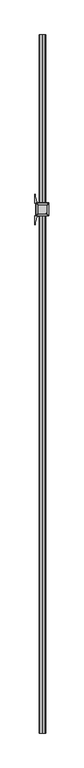
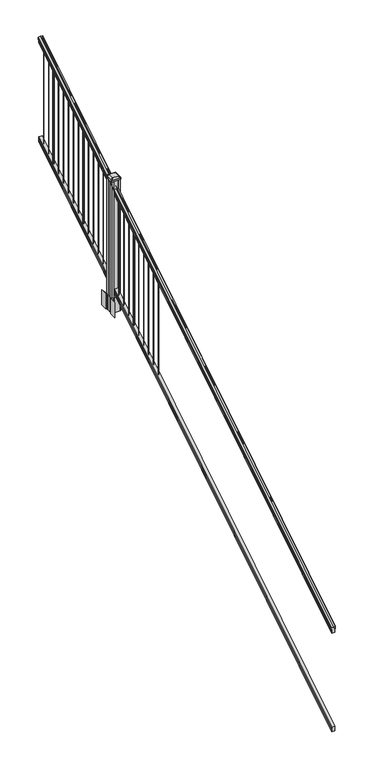
"""IFC4 building model written with IfcOpenShell, lengths in millimetres: railing geometry."""

from ifc_helpers import new_model, si_unit, point, frame, frame_2d, origin, place, context, project, spatial, polyline, circle_curve, ellipse_curve, trimmed, segment, composite_curve, outline, extrude, faceted_brep, source, transform, mapped, element, save
from ifc_brep_helpers import plane_surface, cylinder_surface, revolved_surface, extruded_surface, advanced_brep


def railing_f6cace79(model_context):
    return source(origin(), model_context, "Body", "SolidModel", [
        advanced_brep(
        [(9720.6704765, -87458.4628453, 1285.6070492), (9720.6704765, -87458.4628453, 1287.8335658), (9721.8006628, -87458.4628453, 1289.6758543), (9721.8006628, -87458.4628453, 1298.1876358), (9721.1514064, -87458.4628453, 1301.0572588), (9723.6514064, -87458.4628453, 1306.1635509), (9725.0607489, -87458.4628453, 1308.1442021), (9725.4626479, -87458.4628453, 1309.4469579), (9725.4626478, -87458.4628453, 1311.0274846), (9723.9092005, -87458.4628453, 1312.8593836), (9703.2376478, -87458.4628453, 1312.8593836), (9682.566095, -87458.4628453, 1312.8593836), (9681.0126478, -87458.4628453, 1311.0274846), (9681.0126478, -87458.4628453, 1309.4469579), (9681.4145467, -87458.4628453, 1308.1442021), (9682.8238891, -87458.4628453, 1306.1635509), (9685.3238891, -87458.4628453, 1301.0572588), (9684.6746327, -87458.4628453, 1298.1876358), (9684.6746327, -87458.4628453, 1289.6758543), (9685.804819, -87458.4628453, 1287.8335658), (9685.804819, -87458.4628453, 1285.6070492), (9688.3786478, -87458.4628453, 1285.6070492), (9688.3786478, -87458.4628453, 1273.225537), (9687.3626478, -87458.4628453, 1272.0274214), (9687.3626478, -87458.4628453, 1257.3), (9719.1126478, -87458.4628453, 1257.3), (9719.1126478, -87458.4628453, 1271.841318), (9718.0966478, -87458.4628453, 1273.0394336), (9718.0966478, -87458.4628453, 1285.6070492), (9720.6704765, -82581.6628453, 4333.6070492), (9718.0966478, -82581.6628453, 4333.6070492), (9718.0966478, -82581.6628453, 4321.0394336), (9719.1126478, -82581.6628453, 4319.841318), (9719.1126478, -82581.6628453, 4305.3), (9687.3626478, -82581.6628453, 4305.3), (9687.3626478, -82581.6628453, 4320.0274214), (9688.3786478, -82581.6628453, 4321.225537), (9688.3786478, -82581.6628453, 4333.6070492), (9685.804819, -82581.6628453, 4333.6070492), (9685.804819, -82581.6628453, 4335.8335658), (9684.6746327, -82581.6628453, 4337.6758543), (9684.6746327, -82581.6628453, 4346.1876358), (9685.3238891, -82581.6628453, 4349.0572588), (9682.8238891, -82581.6628453, 4354.1635509), (9681.4145467, -82581.6628453, 4356.1442021), (9681.0126477, -82581.6628453, 4357.4469579), (9681.0126478, -82581.6628453, 4359.0274846), (9682.566095, -82581.6628453, 4360.8593836), (9703.2376478, -82581.6628453, 4360.8593836), (9723.9092005, -82581.6628453, 4360.8593836), (9725.4626478, -82581.6628453, 4359.0274846), (9725.4626478, -82581.6628453, 4357.4469579), (9725.0607489, -82581.6628453, 4356.1442021), (9723.6514064, -82581.6628453, 4354.1635509), (9721.1514064, -82581.6628453, 4349.0572588), (9721.8006628, -82581.6628453, 4346.1876358), (9721.8006628, -82581.6628453, 4337.6758543), (9720.6704765, -82581.6628453, 4335.8335658)],
        [
            (0, 1),
            (1, 2, ellipse_curve(frame((9714.3557232, -87458.4628453, 1294.6239405), z_axis=(0.0, -1.0, 0.0), x_axis=(0.0, 0.0, -1.0)), 10.0777926, 8.545951)),
            (2, 3, ellipse_curve(frame((9714.7927862, -87458.4628453, 1293.9317451), z_axis=(0.0, -1.0, 0.0), x_axis=(0.0, 0.0, -1.0)), 9.2955186, 7.882584)),
            (3, 4, ellipse_curve(frame((9725.3061103, -87458.4628453, 1300.8275077), z_axis=(0.0, 1.0, 0.0), x_axis=(0.0, 0.0, 1.0)), 4.9048088, 4.1592695)),
            (4, 5, ellipse_curve(frame((9726.5934169, -87458.4628453, 1300.7563208), z_axis=(0.0, 1.0, 0.0), x_axis=(0.0, 0.0, 1.0)), 6.4245301, 5.4479907)),
            (5, 6, ellipse_curve(frame((9725.3602584, -87458.4628453, 1306.1602333), z_axis=(0.0, 1.0, 0.0), x_axis=(0.0, 0.0, 1.0)), 2.0151625, 1.7088543)),
            (6, 7, ellipse_curve(frame((9723.7433583, -87458.4628453, 1309.4469579), z_axis=(0.0, -1.0, 0.0), x_axis=(0.0, 0.0, -1.0)), 2.0274681, 1.7192895)),
            (7, 8),
            (8, 9, ellipse_curve(frame((9723.9092005, -87458.4628453, 1311.0274846), z_axis=(0.0, -1.0, 0.0), x_axis=(0.0, 0.0, -1.0)), 1.831899, 1.5534472)),
            (9, 10),
            (10, 11),
            (11, 12, ellipse_curve(frame((9682.566095, -87458.4628453, 1311.0274846), z_axis=(0.0, -1.0, 0.0), x_axis=(0.0, 0.0, -1.0)), 1.831899, 1.5534472)),
            (12, 13),
            (13, 14, ellipse_curve(frame((9682.7319372, -87458.4628453, 1309.4469579), z_axis=(0.0, -1.0, 0.0), x_axis=(0.0, 0.0, -1.0)), 2.0274681, 1.7192895)),
            (14, 15, ellipse_curve(frame((9681.1150371, -87458.4628453, 1306.1602333), z_axis=(0.0, 1.0, 0.0), x_axis=(0.0, 0.0, 1.0)), 2.0151625, 1.7088543)),
            (15, 16, ellipse_curve(frame((9679.8818787, -87458.4628453, 1300.7563208), z_axis=(0.0, 1.0, 0.0), x_axis=(0.0, 0.0, 1.0)), 6.4245301, 5.4479907)),
            (16, 17, ellipse_curve(frame((9681.1691852, -87458.4628453, 1300.8275077), z_axis=(0.0, 1.0, 0.0), x_axis=(0.0, 0.0, 1.0)), 4.9048088, 4.1592695)),
            (17, 18, ellipse_curve(frame((9691.6825093, -87458.4628453, 1293.9317451), z_axis=(0.0, -1.0, 0.0), x_axis=(0.0, 0.0, -1.0)), 9.2955186, 7.882584)),
            (18, 19, ellipse_curve(frame((9692.1195723, -87458.4628453, 1294.6239405), z_axis=(0.0, -1.0, 0.0), x_axis=(0.0, 0.0, -1.0)), 10.0777926, 8.545951)),
            (19, 20),
            (20, 21, ellipse_curve(frame((9687.0917334, -87458.4628453, 1285.6070492), z_axis=(0.0, -1.0, 0.0), x_axis=(0.0, 0.0, -1.0)), 1.5175907, 1.2869144)),
            (21, 22),
            (22, 23),
            (23, 24),
            (24, 25),
            (25, 26),
            (26, 27),
            (27, 28),
            (28, 0, ellipse_curve(frame((9719.3835621, -87458.4628453, 1285.6070492), z_axis=(0.0, -1.0, 0.0), x_axis=(0.0, 0.0, -1.0)), 1.5175907, 1.2869144)),
            (29, 30, ellipse_curve(frame((9719.3835621, -82581.6628453, 4333.6070492), z_axis=(0.0, 1.0, 0.0), x_axis=(0.0, 0.0, -1.0)), 1.5175907, 1.2869144)),
            (30, 31),
            (31, 32),
            (32, 33),
            (33, 34),
            (34, 35),
            (35, 36),
            (36, 37),
            (37, 38, ellipse_curve(frame((9687.0917334, -82581.6628453, 4333.6070492), z_axis=(0.0, 1.0, 0.0), x_axis=(0.0, 0.0, -1.0)), 1.5175907, 1.2869144)),
            (38, 39),
            (39, 40, ellipse_curve(frame((9692.1195723, -82581.6628453, 4342.6239405), z_axis=(0.0, 1.0, 0.0), x_axis=(0.0, 0.0, -1.0)), 10.0777926, 8.545951)),
            (40, 41, ellipse_curve(frame((9691.6825093, -82581.6628453, 4341.9317451), z_axis=(0.0, 1.0, 0.0), x_axis=(0.0, 0.0, -1.0)), 9.2955186, 7.882584)),
            (41, 42, ellipse_curve(frame((9681.1691852, -82581.6628453, 4348.8275077), z_axis=(0.0, -1.0, 0.0), x_axis=(0.0, 0.0, 1.0)), 4.9048088, 4.1592695)),
            (42, 43, ellipse_curve(frame((9679.8818787, -82581.6628453, 4348.7563208), z_axis=(0.0, -1.0, 0.0), x_axis=(0.0, 0.0, 1.0)), 6.4245301, 5.4479907)),
            (43, 44, ellipse_curve(frame((9681.1150371, -82581.6628453, 4354.1602333), z_axis=(0.0, -1.0, 0.0), x_axis=(0.0, 0.0, 1.0)), 2.0151625, 1.7088543)),
            (44, 45, ellipse_curve(frame((9682.7319372, -82581.6628453, 4357.4469579), z_axis=(0.0, 1.0, 0.0), x_axis=(0.0, 0.0, -1.0)), 2.0274681, 1.7192895)),
            (45, 46),
            (46, 47, ellipse_curve(frame((9682.566095, -82581.6628453, 4359.0274846), z_axis=(0.0, 1.0, 0.0), x_axis=(0.0, 0.0, -1.0)), 1.831899, 1.5534472)),
            (47, 48),
            (48, 49),
            (49, 50, ellipse_curve(frame((9723.9092005, -82581.6628453, 4359.0274846), z_axis=(0.0, 1.0, 0.0), x_axis=(0.0, 0.0, -1.0)), 1.831899, 1.5534472)),
            (50, 51),
            (51, 52, ellipse_curve(frame((9723.7433583, -82581.6628453, 4357.4469579), z_axis=(0.0, 1.0, 0.0), x_axis=(0.0, 0.0, -1.0)), 2.0274681, 1.7192895)),
            (52, 53, ellipse_curve(frame((9725.3602584, -82581.6628453, 4354.1602333), z_axis=(0.0, -1.0, 0.0), x_axis=(0.0, 0.0, 1.0)), 2.0151625, 1.7088543)),
            (53, 54, ellipse_curve(frame((9726.5934169, -82581.6628453, 4348.7563208), z_axis=(0.0, -1.0, 0.0), x_axis=(0.0, 0.0, 1.0)), 6.4245301, 5.4479907)),
            (54, 55, ellipse_curve(frame((9725.3061103, -82581.6628453, 4348.8275077), z_axis=(0.0, -1.0, 0.0), x_axis=(0.0, 0.0, 1.0)), 4.9048088, 4.1592695)),
            (55, 56, ellipse_curve(frame((9714.7927862, -82581.6628453, 4341.9317451), z_axis=(0.0, 1.0, 0.0), x_axis=(0.0, 0.0, -1.0)), 9.2955186, 7.882584)),
            (56, 57, ellipse_curve(frame((9714.3557232, -82581.6628453, 4342.6239405), z_axis=(0.0, 1.0, 0.0), x_axis=(0.0, 0.0, -1.0)), 10.0777926, 8.545951)),
            (57, 29),
            (28, 30),
            (29, 0),
            (27, 31),
            (26, 32),
            (25, 33),
            (24, 34),
            (23, 35),
            (22, 36),
            (21, 37),
            (20, 38),
            (19, 39),
            (18, 40),
            (17, 41),
            (16, 42),
            (15, 43),
            (14, 44),
            (13, 45),
            (12, 46),
            (11, 47),
            (10, 48),
            (9, 49),
            (8, 50),
            (7, 51),
            (6, 52),
            (5, 53),
            (4, 54),
            (3, 55),
            (2, 56),
            (1, 57),
        ],
        [
            plane_surface(frame((9703.2376478, -87458.4628453, 1257.3), z_axis=(0.0, -1.0, 0.0), x_axis=(0.0, 0.0, 1.0))),
            plane_surface(frame((9703.2376478, -82581.6628453, 4305.3), z_axis=(0.0, 1.0, 0.0), x_axis=(0.0, 0.0, 1.0))),
            cylinder_surface(frame((9719.3835621, -87471.1851146, 1277.6556309), z_axis=(0.0, -0.8479983040051253, -0.5299989400031204), x_axis=(-1.0, 0.0, 0.0)), 1.2869144),
            plane_surface(frame((9718.0966478, -87458.4628453, 1273.0394336), z_axis=(1.0, 0.0, 0.0), x_axis=(0.0, 0.8479983040051252, 0.5299989400031204))),
            plane_surface(frame((9719.1126478, -87458.4628453, 1271.841318), z_axis=(0.7071067811865389, -0.374765844497894, 0.5996253511967226), x_axis=(0.0, 0.8479983040051253, 0.5299989400031204))),
            plane_surface(frame((9719.1126478, -87458.4628453, 1257.3), z_axis=(1.0, 0.0, 0.0), x_axis=(0.0, 0.8479983040051252, 0.5299989400031204))),
            plane_surface(frame((9687.3626478, -87458.4628453, 1257.3), z_axis=(0.0, 0.5299989400031204, -0.8479983040051252), x_axis=(0.0, 0.8479983040051252, 0.5299989400031204))),
            plane_surface(frame((9687.3626478, -87458.4628453, 1272.0274214), z_axis=(-1.0, 0.0, 0.0), x_axis=(0.0, 0.8479983040051252, 0.5299989400031204))),
            plane_surface(frame((9688.3786478, -87458.4628453, 1273.225537), z_axis=(-0.7071067811865437, -0.37476584449788986, 0.5996253511967192), x_axis=(0.0, 0.8479983040051253, 0.5299989400031204))),
            plane_surface(frame((9688.3786478, -87458.4628453, 1285.6070492), z_axis=(-1.0, 0.0, 0.0), x_axis=(0.0, 0.8479983040051252, 0.5299989400031204))),
            cylinder_surface(frame((9687.0917334, -87471.1851146, 1277.6556309), z_axis=(0.0, -0.8479983040051253, -0.5299989400031204), x_axis=(1.0, 0.0, 0.0)), 1.2869144),
            plane_surface(frame((9685.804819, -87458.4628453, 1287.8335658), z_axis=(-1.0, 0.0, 0.0), x_axis=(0.0, 0.8479983040051252, 0.5299989400031204))),
            cylinder_surface(frame((9692.1195723, -87475.23765, 1284.1396876), z_axis=(0.0, -0.8479983040051253, -0.5299989400031204), x_axis=(1.0, 0.0, 0.0)), 8.545951),
            cylinder_surface(frame((9691.6825093, -87474.9265509, 1283.641929), z_axis=(0.0, -0.8479983040051253, -0.5299989400031204), x_axis=(1.0, 0.0, 0.0)), 7.882584),
            revolved_surface(polyline([(9685.3284547, -82579.45843685034, 4350.205262980551), (9685.3284547, -87460.66725374945, 1299.4497524190954)]), (9681.1691852, -87478.0257701, 1288.6006797), (0.0, 0.8479983040051253, 0.5299989400031204)),
            revolved_surface(polyline([(9685.3298694, -82578.77541603574, 4350.5609640771845), (9685.3298694, -87461.35027455281, 1298.9516775044929)]), (9679.8818787, -87477.993776, 1288.5494891), (0.0, 0.8479983040051253, 0.5299989400031204)),
            revolved_surface(polyline([(9682.823891400001, -82580.75715429979, 4354.726290199658), (9682.823891400001, -87459.36853632248, 1305.5941764359545)]), (9681.1150371, -87480.4225007, 1292.4354487), (0.0, 0.8479983040051253, 0.5299989400031204)),
            cylinder_surface(frame((9682.7319372, -87481.8996803, 1294.798936), z_axis=(0.0, -0.8479983040051253, -0.5299989400031204), x_axis=(1.0, 0.0, 0.0)), 1.7192895),
            plane_surface(frame((9681.0126478, -87458.4628453, 1311.0274846), z_axis=(-1.0, 0.0, 0.0), x_axis=(0.0, 0.8479983040051252, 0.5299989400031204))),
            cylinder_surface(frame((9682.566095, -87482.6100294, 1295.9354945), z_axis=(0.0, -0.8479983040051253, -0.5299989400031204), x_axis=(1.0, 0.0, 0.0)), 1.5534472),
            plane_surface(frame((9703.2376478, -87458.4628453, 1312.8593836), z_axis=(0.0, -0.5299989400031204, 0.8479983040051252), x_axis=(0.0, 0.8479983040051252, 0.5299989400031204))),
            plane_surface(frame((9723.9092005, -87458.4628453, 1312.8593836), z_axis=(0.0, -0.5299989400031204, 0.8479983040051252), x_axis=(0.0, 0.8479983040051252, 0.5299989400031204))),
            cylinder_surface(frame((9723.9092005, -87482.6100294, 1295.9354945), z_axis=(0.0, -0.8479983040051253, -0.5299989400031204), x_axis=(-1.0, 0.0, 0.0)), 1.5534472),
            plane_surface(frame((9725.4626478, -87458.4628453, 1309.4469579), z_axis=(1.0, 0.0, 0.0), x_axis=(0.0, 0.8479983040051252, 0.5299989400031204))),
            cylinder_surface(frame((9723.7433583, -87481.8996803, 1294.798936), z_axis=(0.0, -0.8479983040051253, -0.5299989400031204), x_axis=(-1.0, 0.0, 0.0)), 1.7192895),
            revolved_surface(polyline([(9723.6514041, -82580.75715429979, 4354.726290199658), (9723.6514041, -87459.36853632248, 1305.5941764359545)]), (9725.3602584, -87480.4225007, 1292.4354487), (0.0, 0.8479983040051253, 0.5299989400031204)),
            revolved_surface(polyline([(9721.145426199999, -82578.77541603574, 4350.5609640771845), (9721.145426199999, -87461.35027455281, 1298.9516775044929)]), (9726.5934169, -87477.993776, 1288.5494891), (0.0, 0.8479983040051253, 0.5299989400031204)),
            revolved_surface(polyline([(9721.1468408, -82579.45843685034, 4350.205262980551), (9721.1468408, -87460.66725374945, 1299.4497524190954)]), (9725.3061103, -87478.0257701, 1288.6006797), (0.0, 0.8479983040051253, 0.5299989400031204)),
            cylinder_surface(frame((9714.7927862, -87474.9265509, 1283.641929), z_axis=(0.0, -0.8479983040051253, -0.5299989400031204), x_axis=(-1.0, 0.0, 0.0)), 7.882584),
            cylinder_surface(frame((9714.3557232, -87475.23765, 1284.1396876), z_axis=(0.0, -0.8479983040051253, -0.5299989400031204), x_axis=(-1.0, 0.0, 0.0)), 8.545951),
            plane_surface(frame((9720.6704765, -87458.4628453, 1285.6070492), z_axis=(1.0, 0.0, 0.0), x_axis=(0.0, 0.8479983040051252, 0.5299989400031204))),
        ],
        [
            (0, [[1, 2, 3, 4, 5, 6, 7, 8, 9, 10, 11, 12, 13, 14, 15, 16, 17, 18, 19, 20, 21, 22, 23, 24, 25, 26, 27, 28, 29]]),
            (1, [[30, 31, 32, 33, 34, 35, 36, 37, 38, 39, 40, 41, 42, 43, 44, 45, 46, 47, 48, 49, 50, 51, 52, 53, 54, 55, 56, 57, 58]]),
            (2, [[-29, 59, -30, 60]]),
            (3, [[-28, 61, -31, -59]]),
            (4, [[-27, 62, -32, -61]]),
            (5, [[-26, 63, -33, -62]]),
            (6, [[-25, 64, -34, -63]]),
            (7, [[-24, 65, -35, -64]]),
            (8, [[-23, 66, -36, -65]]),
            (9, [[-22, 67, -37, -66]]),
            (10, [[-21, 68, -38, -67]]),
            (11, [[-20, 69, -39, -68]]),
            (12, [[-19, 70, -40, -69]]),
            (13, [[-18, 71, -41, -70]]),
            (14, [[-17, 72, -42, -71]]),
            (15, [[-16, 73, -43, -72]]),
            (16, [[-15, 74, -44, -73]]),
            (17, [[-14, 75, -45, -74]]),
            (18, [[-13, 76, -46, -75]]),
            (19, [[-12, 77, -47, -76]]),
            (20, [[-11, 78, -48, -77]]),
            (21, [[-10, 79, -49, -78]]),
            (22, [[-9, 80, -50, -79]]),
            (23, [[-8, 81, -51, -80]]),
            (24, [[-7, 82, -52, -81]]),
            (25, [[-6, 83, -53, -82]]),
            (26, [[-5, 84, -54, -83]]),
            (27, [[-4, 85, -55, -84]]),
            (28, [[-3, 86, -56, -85]]),
            (29, [[-2, 87, -57, -86]]),
            (30, [[-1, -60, -58, -87]]),
        ],
    ),
        faceted_brep([(9719.1501347, -87458.4628453, 268.8045079), (9718.1341347, -87458.4628453, 270.338026), (9718.1341347, -87458.4628453, 282.5545048), (9719.1501347, -87458.4628453, 284.1444579), (9719.1501347, -87458.4628453, 298.9244744), (9687.4001347, -87458.4628453, 298.9244744), (9687.4001347, -87458.4628453, 284.1248272), (9688.4161347, -87458.4628453, 282.5348741), (9688.4161347, -87458.4628453, 270.3748303), (9687.4001347, -87458.4628453, 268.7848772), (9687.4001347, -87458.4628453, 254.0), (9719.1501347, -87458.4628453, 254.0), (9719.1501347, -82581.6628453, 3316.8045079), (9719.1501347, -82581.6628453, 3302.0), (9687.4001347, -82581.6628453, 3302.0), (9687.4001347, -82581.6628453, 3316.7848772), (9688.4161347, -82581.6628453, 3318.3748303), (9688.4161347, -82581.6628453, 3330.5348741), (9687.4001347, -82581.6628453, 3332.1248272), (9687.4001347, -82581.6628453, 3346.9244744), (9719.1501347, -82581.6628453, 3346.9244744), (9719.1501347, -82581.6628453, 3332.1444579), (9718.1341347, -82581.6628453, 3330.5545048), (9718.1341347, -82581.6628453, 3318.338026)], [[[0, 1, 2, 3, 4, 5, 6, 7, 8, 9, 10, 11]], [[12, 13, 14, 15, 16, 17, 18, 19, 20, 21, 22, 23]], [[0, 11, 13, 12]], [[11, 10, 14, 13]], [[10, 9, 15, 14]], [[9, 8, 16, 15]], [[8, 7, 17, 16]], [[7, 6, 18, 17]], [[6, 5, 19, 18]], [[5, 4, 20, 19]], [[4, 3, 21, 20]], [[3, 2, 22, 21]], [[2, 1, 23, 22]], [[1, 0, 12, 23]]]),
        extrude(outline(composite_curve([segment(trimmed(circle_curve(frame_2d((9703.2376478, -82638.8128453)), 1.5875), [point((9704.8251478, -82638.8128453))], [point((9703.2376478, -82640.4003453))], False, "CARTESIAN"), True, "CONTINUOUS"), segment(trimmed(circle_curve(frame_2d((9703.2376478, -82638.8128453)), 1.5875), [point((9703.2376478, -82640.4003453))], [point((9701.6501478, -82638.8128453))], False, "CARTESIAN"), True, "CONTINUOUS"), segment(trimmed(circle_curve(frame_2d((9703.2376478, -82638.8128453)), 1.5875), [point((9701.6501478, -82638.8128453))], [point((9703.2376478, -82637.2253453))], False, "CARTESIAN"), True, "CONTINUOUS"), segment(trimmed(circle_curve(frame_2d((9703.2376478, -82638.8128453)), 1.5875), [point((9703.2376478, -82637.2253453))], [point((9704.8251478, -82638.8128453))], False, "CARTESIAN"), True, "CONTINUOUS")], self_intersect=False)), frame((0.0, 0.0, 3304.3771281), z_axis=(0.0, 0.0, 1.0), x_axis=(1.0, 0.0, 0.0)), (0.0, 0.0, 1.0), 965.2041219),
        extrude(outline(composite_curve([segment(trimmed(circle_curve(frame_2d((9703.2376478, -82721.3628453)), 1.5875), [point((9704.8251478, -82721.3628453))], [point((9703.2376478, -82722.9503453))], False, "CARTESIAN"), True, "CONTINUOUS"), segment(trimmed(circle_curve(frame_2d((9703.2376478, -82721.3628453)), 1.5875), [point((9703.2376478, -82722.9503453))], [point((9701.6501478, -82721.3628453))], False, "CARTESIAN"), True, "CONTINUOUS"), segment(trimmed(circle_curve(frame_2d((9703.2376478, -82721.3628453)), 1.5875), [point((9701.6501478, -82721.3628453))], [point((9703.2376478, -82719.7753453))], False, "CARTESIAN"), True, "CONTINUOUS"), segment(trimmed(circle_curve(frame_2d((9703.2376478, -82721.3628453)), 1.5875), [point((9703.2376478, -82719.7753453))], [point((9704.8251478, -82721.3628453))], False, "CARTESIAN"), True, "CONTINUOUS")], self_intersect=False)), frame((0.0, 0.0, 3252.7833781), z_axis=(0.0, 0.0, 1.0), x_axis=(1.0, 0.0, 0.0)), (0.0, 0.0, 1.0), 965.2041219),
        extrude(outline(composite_curve([segment(trimmed(circle_curve(frame_2d((9703.2376478, -82803.9128453)), 6.35), [point((9709.5876478, -82803.9128453))], [point((9703.2376478, -82810.2628453))], False, "CARTESIAN"), True, "CONTINUOUS"), segment(trimmed(circle_curve(frame_2d((9703.2376478, -82803.9128453)), 6.35), [point((9703.2376478, -82810.2628453))], [point((9696.8876478, -82803.9128453))], False, "CARTESIAN"), True, "CONTINUOUS"), segment(trimmed(circle_curve(frame_2d((9703.2376478, -82803.9128453)), 6.35), [point((9696.8876478, -82803.9128453))], [point((9703.2376478, -82797.5628453))], False, "CARTESIAN"), True, "CONTINUOUS"), segment(trimmed(circle_curve(frame_2d((9703.2376478, -82803.9128453)), 6.35), [point((9703.2376478, -82797.5628453))], [point((9709.5876478, -82803.9128453))], False, "CARTESIAN"), True, "CONTINUOUS")], self_intersect=False)), frame((0.0, 0.0, 3201.1896281), z_axis=(0.0, 0.0, 1.0), x_axis=(1.0, 0.0, 0.0)), (0.0, 0.0, 1.0), 965.2041219),
        extrude(outline(composite_curve([segment(trimmed(circle_curve(frame_2d((9703.2376478, -82886.4628453)), 1.5875), [point((9704.8251478, -82886.4628453))], [point((9703.2376478, -82888.0503453))], False, "CARTESIAN"), True, "CONTINUOUS"), segment(trimmed(circle_curve(frame_2d((9703.2376478, -82886.4628453)), 1.5875), [point((9703.2376478, -82888.0503453))], [point((9701.6501478, -82886.4628453))], False, "CARTESIAN"), True, "CONTINUOUS"), segment(trimmed(circle_curve(frame_2d((9703.2376478, -82886.4628453)), 1.5875), [point((9701.6501478, -82886.4628453))], [point((9703.2376478, -82884.8753453))], False, "CARTESIAN"), True, "CONTINUOUS"), segment(trimmed(circle_curve(frame_2d((9703.2376478, -82886.4628453)), 1.5875), [point((9703.2376478, -82884.8753453))], [point((9704.8251478, -82886.4628453))], False, "CARTESIAN"), True, "CONTINUOUS")], self_intersect=False)), frame((0.0, 0.0, 3149.5958781), z_axis=(0.0, 0.0, 1.0), x_axis=(1.0, 0.0, 0.0)), (0.0, 0.0, 1.0), 965.2041219),
        extrude(outline(composite_curve([segment(trimmed(circle_curve(frame_2d((9703.2376478, -82969.0128453)), 1.5875), [point((9704.8251478, -82969.0128453))], [point((9703.2376478, -82970.6003453))], False, "CARTESIAN"), True, "CONTINUOUS"), segment(trimmed(circle_curve(frame_2d((9703.2376478, -82969.0128453)), 1.5875), [point((9703.2376478, -82970.6003453))], [point((9701.6501478, -82969.0128453))], False, "CARTESIAN"), True, "CONTINUOUS"), segment(trimmed(circle_curve(frame_2d((9703.2376478, -82969.0128453)), 1.5875), [point((9701.6501478, -82969.0128453))], [point((9703.2376478, -82967.4253453))], False, "CARTESIAN"), True, "CONTINUOUS"), segment(trimmed(circle_curve(frame_2d((9703.2376478, -82969.0128453)), 1.5875), [point((9703.2376478, -82967.4253453))], [point((9704.8251478, -82969.0128453))], False, "CARTESIAN"), True, "CONTINUOUS")], self_intersect=False)), frame((0.0, 0.0, 3098.0021281), z_axis=(0.0, 0.0, 1.0), x_axis=(1.0, 0.0, 0.0)), (0.0, 0.0, 1.0), 965.2041219),
        extrude(outline(composite_curve([segment(trimmed(circle_curve(frame_2d((9703.2376478, -83051.5628453)), 1.5875), [point((9704.8251478, -83051.5628453))], [point((9703.2376478, -83053.1503453))], False, "CARTESIAN"), True, "CONTINUOUS"), segment(trimmed(circle_curve(frame_2d((9703.2376478, -83051.5628453)), 1.5875), [point((9703.2376478, -83053.1503453))], [point((9701.6501478, -83051.5628453))], False, "CARTESIAN"), True, "CONTINUOUS"), segment(trimmed(circle_curve(frame_2d((9703.2376478, -83051.5628453)), 1.5875), [point((9701.6501478, -83051.5628453))], [point((9703.2376478, -83049.9753453))], False, "CARTESIAN"), True, "CONTINUOUS"), segment(trimmed(circle_curve(frame_2d((9703.2376478, -83051.5628453)), 1.5875), [point((9703.2376478, -83049.9753453))], [point((9704.8251478, -83051.5628453))], False, "CARTESIAN"), True, "CONTINUOUS")], self_intersect=False)), frame((0.0, 0.0, 3046.4083781), z_axis=(0.0, 0.0, 1.0), x_axis=(1.0, 0.0, 0.0)), (0.0, 0.0, 1.0), 965.2041219),
        extrude(outline(composite_curve([segment(trimmed(circle_curve(frame_2d((9703.2376478, -83134.1128453)), 1.5875), [point((9704.8251478, -83134.1128453))], [point((9703.2376478, -83135.7003453))], False, "CARTESIAN"), True, "CONTINUOUS"), segment(trimmed(circle_curve(frame_2d((9703.2376478, -83134.1128453)), 1.5875), [point((9703.2376478, -83135.7003453))], [point((9701.6501478, -83134.1128453))], False, "CARTESIAN"), True, "CONTINUOUS"), segment(trimmed(circle_curve(frame_2d((9703.2376478, -83134.1128453)), 1.5875), [point((9701.6501478, -83134.1128453))], [point((9703.2376478, -83132.5253453))], False, "CARTESIAN"), True, "CONTINUOUS"), segment(trimmed(circle_curve(frame_2d((9703.2376478, -83134.1128453)), 1.5875), [point((9703.2376478, -83132.5253453))], [point((9704.8251478, -83134.1128453))], False, "CARTESIAN"), True, "CONTINUOUS")], self_intersect=False)), frame((0.0, 0.0, 2994.8146281), z_axis=(0.0, 0.0, 1.0), x_axis=(1.0, 0.0, 0.0)), (0.0, 0.0, 1.0), 965.2041219),
        extrude(outline(composite_curve([segment(trimmed(circle_curve(frame_2d((9703.2376478, -83216.6628453)), 1.5875), [point((9704.8251478, -83216.6628453))], [point((9703.2376478, -83218.2503453))], False, "CARTESIAN"), True, "CONTINUOUS"), segment(trimmed(circle_curve(frame_2d((9703.2376478, -83216.6628453)), 1.5875), [point((9703.2376478, -83218.2503453))], [point((9701.6501478, -83216.6628453))], False, "CARTESIAN"), True, "CONTINUOUS"), segment(trimmed(circle_curve(frame_2d((9703.2376478, -83216.6628453)), 1.5875), [point((9701.6501478, -83216.6628453))], [point((9703.2376478, -83215.0753453))], False, "CARTESIAN"), True, "CONTINUOUS"), segment(trimmed(circle_curve(frame_2d((9703.2376478, -83216.6628453)), 1.5875), [point((9703.2376478, -83215.0753453))], [point((9704.8251478, -83216.6628453))], False, "CARTESIAN"), True, "CONTINUOUS")], self_intersect=False)), frame((0.0, 0.0, 2943.2208781), z_axis=(0.0, 0.0, 1.0), x_axis=(1.0, 0.0, 0.0)), (0.0, 0.0, 1.0), 965.2041219),
        extrude(outline(composite_curve([segment(trimmed(circle_curve(frame_2d((9703.2376478, -83299.2128453)), 6.35), [point((9709.5876478, -83299.2128453))], [point((9703.2376478, -83305.5628453))], False, "CARTESIAN"), True, "CONTINUOUS"), segment(trimmed(circle_curve(frame_2d((9703.2376478, -83299.2128453)), 6.35), [point((9703.2376478, -83305.5628453))], [point((9696.8876478, -83299.2128453))], False, "CARTESIAN"), True, "CONTINUOUS"), segment(trimmed(circle_curve(frame_2d((9703.2376478, -83299.2128453)), 6.35), [point((9696.8876478, -83299.2128453))], [point((9703.2376478, -83292.8628453))], False, "CARTESIAN"), True, "CONTINUOUS"), segment(trimmed(circle_curve(frame_2d((9703.2376478, -83299.2128453)), 6.35), [point((9703.2376478, -83292.8628453))], [point((9709.5876478, -83299.2128453))], False, "CARTESIAN"), True, "CONTINUOUS")], self_intersect=False)), frame((0.0, 0.0, 2891.6271281), z_axis=(0.0, 0.0, 1.0), x_axis=(1.0, 0.0, 0.0)), (0.0, 0.0, 1.0), 965.2041219),
        extrude(outline(composite_curve([segment(trimmed(circle_curve(frame_2d((9703.2376478, -83381.7628453)), 1.5875), [point((9704.8251478, -83381.7628453))], [point((9703.2376478, -83383.3503453))], False, "CARTESIAN"), True, "CONTINUOUS"), segment(trimmed(circle_curve(frame_2d((9703.2376478, -83381.7628453)), 1.5875), [point((9703.2376478, -83383.3503453))], [point((9701.6501478, -83381.7628453))], False, "CARTESIAN"), True, "CONTINUOUS"), segment(trimmed(circle_curve(frame_2d((9703.2376478, -83381.7628453)), 1.5875), [point((9701.6501478, -83381.7628453))], [point((9703.2376478, -83380.1753453))], False, "CARTESIAN"), True, "CONTINUOUS"), segment(trimmed(circle_curve(frame_2d((9703.2376478, -83381.7628453)), 1.5875), [point((9703.2376478, -83380.1753453))], [point((9704.8251478, -83381.7628453))], False, "CARTESIAN"), True, "CONTINUOUS")], self_intersect=False)), frame((0.0, 0.0, 2840.0333781), z_axis=(0.0, 0.0, 1.0), x_axis=(1.0, 0.0, 0.0)), (0.0, 0.0, 1.0), 965.2041219),
        extrude(outline(composite_curve([segment(trimmed(circle_curve(frame_2d((9703.2376478, -83464.3128453)), 1.5875), [point((9704.8251478, -83464.3128453))], [point((9703.2376478, -83465.9003453))], False, "CARTESIAN"), True, "CONTINUOUS"), segment(trimmed(circle_curve(frame_2d((9703.2376478, -83464.3128453)), 1.5875), [point((9703.2376478, -83465.9003453))], [point((9701.6501478, -83464.3128453))], False, "CARTESIAN"), True, "CONTINUOUS"), segment(trimmed(circle_curve(frame_2d((9703.2376478, -83464.3128453)), 1.5875), [point((9701.6501478, -83464.3128453))], [point((9703.2376478, -83462.7253453))], False, "CARTESIAN"), True, "CONTINUOUS"), segment(trimmed(circle_curve(frame_2d((9703.2376478, -83464.3128453)), 1.5875), [point((9703.2376478, -83462.7253453))], [point((9704.8251478, -83464.3128453))], False, "CARTESIAN"), True, "CONTINUOUS")], self_intersect=False)), frame((0.0, 0.0, 2788.4396281), z_axis=(0.0, 0.0, 1.0), x_axis=(1.0, 0.0, 0.0)), (0.0, 0.0, 1.0), 965.2041219),
        extrude(outline(composite_curve([segment(trimmed(circle_curve(frame_2d((9703.2376478, -83546.8628453)), 1.5875), [point((9704.8251478, -83546.8628453))], [point((9703.2376478, -83548.4503453))], False, "CARTESIAN"), True, "CONTINUOUS"), segment(trimmed(circle_curve(frame_2d((9703.2376478, -83546.8628453)), 1.5875), [point((9703.2376478, -83548.4503453))], [point((9701.6501478, -83546.8628453))], False, "CARTESIAN"), True, "CONTINUOUS"), segment(trimmed(circle_curve(frame_2d((9703.2376478, -83546.8628453)), 1.5875), [point((9701.6501478, -83546.8628453))], [point((9703.2376478, -83545.2753453))], False, "CARTESIAN"), True, "CONTINUOUS"), segment(trimmed(circle_curve(frame_2d((9703.2376478, -83546.8628453)), 1.5875), [point((9703.2376478, -83545.2753453))], [point((9704.8251478, -83546.8628453))], False, "CARTESIAN"), True, "CONTINUOUS")], self_intersect=False)), frame((0.0, 0.0, 2736.8458781), z_axis=(0.0, 0.0, 1.0), x_axis=(1.0, 0.0, 0.0)), (0.0, 0.0, 1.0), 965.2041219),
        extrude(outline(composite_curve([segment(trimmed(circle_curve(frame_2d((9703.2376478, -83629.4128453)), 1.5875), [point((9704.8251478, -83629.4128453))], [point((9703.2376478, -83631.0003453))], False, "CARTESIAN"), True, "CONTINUOUS"), segment(trimmed(circle_curve(frame_2d((9703.2376478, -83629.4128453)), 1.5875), [point((9703.2376478, -83631.0003453))], [point((9701.6501478, -83629.4128453))], False, "CARTESIAN"), True, "CONTINUOUS"), segment(trimmed(circle_curve(frame_2d((9703.2376478, -83629.4128453)), 1.5875), [point((9701.6501478, -83629.4128453))], [point((9703.2376478, -83627.8253453))], False, "CARTESIAN"), True, "CONTINUOUS"), segment(trimmed(circle_curve(frame_2d((9703.2376478, -83629.4128453)), 1.5875), [point((9703.2376478, -83627.8253453))], [point((9704.8251478, -83629.4128453))], False, "CARTESIAN"), True, "CONTINUOUS")], self_intersect=False)), frame((0.0, 0.0, 2685.2521281), z_axis=(0.0, 0.0, 1.0), x_axis=(1.0, 0.0, 0.0)), (0.0, 0.0, 1.0), 965.2041219),
        extrude(outline(composite_curve([segment(trimmed(circle_curve(frame_2d((9703.2376478, -83711.9628453)), 1.5875), [point((9704.8251478, -83711.9628453))], [point((9703.2376478, -83713.5503453))], False, "CARTESIAN"), True, "CONTINUOUS"), segment(trimmed(circle_curve(frame_2d((9703.2376478, -83711.9628453)), 1.5875), [point((9703.2376478, -83713.5503453))], [point((9701.6501478, -83711.9628453))], False, "CARTESIAN"), True, "CONTINUOUS"), segment(trimmed(circle_curve(frame_2d((9703.2376478, -83711.9628453)), 1.5875), [point((9701.6501478, -83711.9628453))], [point((9703.2376478, -83710.3753453))], False, "CARTESIAN"), True, "CONTINUOUS"), segment(trimmed(circle_curve(frame_2d((9703.2376478, -83711.9628453)), 1.5875), [point((9703.2376478, -83710.3753453))], [point((9704.8251478, -83711.9628453))], False, "CARTESIAN"), True, "CONTINUOUS")], self_intersect=False)), frame((0.0, 0.0, 2633.6583781), z_axis=(0.0, 0.0, 1.0), x_axis=(1.0, 0.0, 0.0)), (0.0, 0.0, 1.0), 965.2041219),
        extrude(outline(composite_curve([segment(polyline([(9745.9731478, -83818.2489401), (9747.5606478, -83819.0109401), (9747.5606478, -83841.8128682), (9744.1876707, -83845.1858453), (9682.7279999, -83845.1858453), (9682.7279999, -83846.1065953), (9677.4104561, -83846.1065953), (9677.4104561, -83847.56085), (9672.3259264, -83847.56085), (9672.3259264, -83848.8448738), (9670.6586541, -83848.8448738)]), True, "CONTINUOUS"), segment(trimmed(circle_curve(frame_2d((9670.6586541, -83855.9043337)), 7.0594599), [point((9670.6586541, -83848.8448738))], [point((9663.8913912, -83853.894327))], True, "CARTESIAN"), True, "CONTINUOUS"), segment(polyline([(9663.8913912, -83853.894327), (9656.0171969, -83880.4050561)]), True, "CONTINUOUS"), segment(trimmed(circle_curve(frame_2d((9710.8017103, -83896.6771057)), 57.15), [point((9656.0171969, -83880.4050561))], [point((9653.6517103, -83896.6771057))], True, "CARTESIAN"), True, "CONTINUOUS"), segment(polyline([(9653.6517103, -83896.6771057), (9653.6517103, -83908.6858453), (9650.6517103, -83908.6858453), (9650.6517103, -83843.5983453), (9658.9146478, -83832.260054), (9658.9146478, -83819.0109401), (9660.5021478, -83818.2489401), (9660.5021478, -83783.4767504), (9658.9146478, -83782.7147504), (9658.9146478, -83769.4656366), (9650.6517103, -83758.1273453), (9650.6517103, -83693.0398453), (9653.6517103, -83693.0398453), (9653.6517103, -83705.0485848)]), True, "CONTINUOUS"), segment(trimmed(circle_curve(frame_2d((9710.8017103, -83705.0485848)), 57.15), [point((9653.6517103, -83705.0485848))], [point((9656.0171969, -83721.3206345))], True, "CARTESIAN"), True, "CONTINUOUS"), segment(polyline([(9656.0171969, -83721.3206345), (9663.8913912, -83747.8313636)]), True, "CONTINUOUS"), segment(trimmed(circle_curve(frame_2d((9670.6586541, -83745.8213569)), 7.0594599), [point((9663.8913912, -83747.8313636))], [point((9670.6586541, -83752.8808168))], True, "CARTESIAN"), True, "CONTINUOUS"), segment(polyline([(9670.6586541, -83752.8808168), (9672.3259264, -83752.8808168), (9672.3259264, -83754.1648406), (9677.4104561, -83754.1648406), (9677.4104561, -83755.6190953), (9682.7279999, -83755.6190953), (9682.7279999, -83756.5398453), (9744.1876707, -83756.5398453), (9747.5606478, -83759.9128224), (9747.5606478, -83782.7147504), (9745.9731478, -83783.4767504), (9745.9731478, -83818.2489401)]), True, "CONTINUOUS")], self_intersect=False), holes=[polyline([(9661.9626478, -83761.1753453), (9661.9626478, -83840.5503453), (9663.5501478, -83842.1378453), (9700.4744304, -83842.1378453), (9742.9251478, -83842.1378453), (9744.5126478, -83840.5503453), (9744.5126478, -83761.1753453), (9742.9251478, -83759.5878453), (9700.4744304, -83759.5878453), (9663.5501478, -83759.5878453), (9661.9626478, -83761.1753453)])]), frame((0.0, 0.0, 2324.1), z_axis=(0.0, 0.0, 1.0), x_axis=(1.0, 0.0, 0.0)), (0.0, 0.0, 1.0), 152.4),
        advanced_brep(
        [(9677.4407728, -83829.8347203, 3688.839263), (9729.0345228, -83829.8347203, 3688.839263), (9732.2095228, -83826.6597203, 3688.839263), (9732.2095228, -83775.0659703, 3688.839263), (9729.0345228, -83771.8909703, 3688.839263), (9677.4407728, -83771.8909703, 3688.839263), (9674.2657728, -83775.0659703, 3688.839263), (9674.2657728, -83826.6597203, 3688.839263), (9661.1688978, -83846.1065953, 3677.536263), (9657.9938978, -83842.9315953, 3677.536263), (9657.9938978, -83758.7940953, 3677.536263), (9661.1688978, -83755.6190953, 3677.536263), (9745.3063978, -83755.6190953, 3677.536263), (9748.4813978, -83758.7940953, 3677.536263), (9748.4813978, -83842.9315953, 3677.536263), (9745.3063978, -83846.1065953, 3677.536263)],
        [
            (0, 1),
            (1, 2, circle_curve(frame((9729.0345228, -83826.6597203, 3688.839263), z_axis=(0.0, 0.0, 1.0), x_axis=(0.0, 1.0, 0.0)), 3.175)),
            (2, 3),
            (3, 4, circle_curve(frame((9729.0345228, -83775.0659703, 3688.839263), z_axis=(0.0, 0.0, 1.0), x_axis=(0.0, 1.0, 0.0)), 3.175)),
            (4, 5),
            (5, 6, circle_curve(frame((9677.4407728, -83775.0659703, 3688.839263), z_axis=(0.0, 0.0, 1.0), x_axis=(0.0, 1.0, 0.0)), 3.175)),
            (6, 7),
            (7, 0, circle_curve(frame((9677.4407728, -83826.6597203, 3688.839263), z_axis=(0.0, 0.0, 1.0), x_axis=(0.0, 1.0, 0.0)), 3.175)),
            (8, 9, circle_curve(frame((9661.1688978, -83842.9315953, 3677.536263), z_axis=(0.0, 0.0, -1.0), x_axis=(0.0, 1.0, 0.0)), 3.175)),
            (9, 10),
            (10, 11, circle_curve(frame((9661.1688978, -83758.7940953, 3677.536263), z_axis=(0.0, 0.0, -1.0), x_axis=(0.0, 1.0, 0.0)), 3.175)),
            (11, 12),
            (12, 13, circle_curve(frame((9745.3063978, -83758.7940953, 3677.536263), z_axis=(0.0, 0.0, -1.0), x_axis=(0.0, 1.0, 0.0)), 3.175)),
            (13, 14),
            (14, 15, circle_curve(frame((9745.3063978, -83842.9315953, 3677.536263), z_axis=(0.0, 0.0, -1.0), x_axis=(0.0, 1.0, 0.0)), 3.175)),
            (15, 8),
            (8, 0),
            (7, 9),
            (6, 10),
            (5, 11),
            (4, 12),
            (3, 13),
            (2, 14),
            (1, 15),
        ],
        [
            plane_surface(frame((9703.2376478, -83800.8628453, 3688.839263), z_axis=(0.0, 0.0, 1.0), x_axis=(-1.0, 0.0, 0.0))),
            plane_surface(frame((9703.2376478, -83800.8628453, 3677.536263), z_axis=(0.0, 0.0, -1.0), x_axis=(-1.0, 0.0, 0.0))),
            extruded_surface(trimmed(circle_curve(frame((9677.4407728, -83826.6597203, 3688.839263), z_axis=(0.0, 0.0, -1.0), x_axis=(0.0, 1.0, 0.0)), 3.175), [point((9677.4407728, -83829.8347203, 3688.839263))], [point((9674.2657728, -83826.6597203, 3688.839263))], True, "CARTESIAN"), (-16.271875000000364, -16.27187500000582, -11.302999999999884), 25.637972638870036),
            plane_surface(frame((9657.9938978, -83800.8628453, 3677.536263), z_axis=(-0.5705009161540778, 0.0, 0.8212969649690408), x_axis=(0.0, 1.0, 0.0))),
            extruded_surface(trimmed(circle_curve(frame((9677.4407728, -83775.0659703, 3688.839263), z_axis=(0.0, 0.0, -1.0), x_axis=(0.0, 1.0, 0.0)), 3.175), [point((9674.2657728, -83775.0659703, 3688.839263))], [point((9677.4407728, -83771.8909703, 3688.839263))], True, "CARTESIAN"), (-16.271875000000364, 16.27187499999127, -11.302999999999884), 25.637972638860802),
            plane_surface(frame((9703.2376478, -83755.6190953, 3677.536263), z_axis=(0.0, 0.5705009161540291, 0.8212969649690747), x_axis=(1.0, 0.0, 0.0))),
            extruded_surface(trimmed(circle_curve(frame((9729.0345228, -83775.0659703, 3688.839263), z_axis=(0.0, 0.0, -1.0), x_axis=(0.0, 1.0, 0.0)), 3.175), [point((9729.0345228, -83771.8909703, 3688.839263))], [point((9732.2095228, -83775.0659703, 3688.839263))], True, "CARTESIAN"), (16.271874999998545, 16.27187499999127, -11.302999999999884), 25.637972638859644),
            plane_surface(frame((9748.4813978, -83800.8628453, 3677.536263), z_axis=(0.5705009161540142, 0.0, 0.8212969649690851), x_axis=(0.0, -1.0, 0.0))),
            extruded_surface(trimmed(circle_curve(frame((9729.0345228, -83826.6597203, 3688.839263), z_axis=(0.0, 0.0, -1.0), x_axis=(0.0, 1.0, 0.0)), 3.175), [point((9732.2095228, -83826.6597203, 3688.839263))], [point((9729.0345228, -83829.8347203, 3688.839263))], True, "CARTESIAN"), (16.271874999998545, -16.27187500000582, -11.302999999999884), 25.63797263886888),
            plane_surface(frame((9703.2376478, -83846.1065953, 3677.536263), z_axis=(0.0, -0.570500916154034, 0.8212969649690713), x_axis=(-1.0, 0.0, 0.0))),
        ],
        [
            (0, [[1, 2, 3, 4, 5, 6, 7, 8]]),
            (1, [[9, 10, 11, 12, 13, 14, 15, 16]]),
            (2, [[17, -8, 18, -9]]),
            (3, [[-18, -7, 19, -10]]),
            (4, [[-19, -6, 20, -11]]),
            (5, [[-20, -5, 21, -12]]),
            (6, [[-21, -4, 22, -13]]),
            (7, [[-22, -3, 23, -14]]),
            (8, [[-23, -2, 24, -15]]),
            (9, [[-24, -1, -17, -16]]),
        ],
    ),
        extrude(outline(composite_curve([segment(trimmed(circle_curve(frame_2d((9661.1688978, -83842.9315953)), 3.175), [point((9661.1688978, -83846.1065953))], [point((9657.9938978, -83842.9315953))], False, "CARTESIAN"), True, "CONTINUOUS"), segment(polyline([(9657.9938978, -83842.9315953), (9657.9938978, -83758.7940953)]), True, "CONTINUOUS"), segment(trimmed(circle_curve(frame_2d((9661.1688978, -83758.7940953)), 3.175), [point((9657.9938978, -83758.7940953))], [point((9661.1688978, -83755.6190953))], False, "CARTESIAN"), True, "CONTINUOUS"), segment(polyline([(9661.1688978, -83755.6190953), (9745.3063978, -83755.6190953)]), True, "CONTINUOUS"), segment(trimmed(circle_curve(frame_2d((9745.3063978, -83758.7940953)), 3.175), [point((9745.3063978, -83755.6190953))], [point((9748.4813978, -83758.7940953))], False, "CARTESIAN"), True, "CONTINUOUS"), segment(polyline([(9748.4813978, -83758.7940953), (9748.4813978, -83842.9315953)]), True, "CONTINUOUS"), segment(trimmed(circle_curve(frame_2d((9745.3063978, -83842.9315953)), 3.175), [point((9748.4813978, -83842.9315953))], [point((9745.3063978, -83846.1065953))], False, "CARTESIAN"), True, "CONTINUOUS"), segment(polyline([(9745.3063978, -83846.1065953), (9661.1688978, -83846.1065953)]), True, "CONTINUOUS")], self_intersect=False)), frame((0.0, 0.0, 3660.264263), z_axis=(0.0, 0.0, 1.0), x_axis=(1.0, 0.0, 0.0)), (0.0, 0.0, 1.0), 17.272),
        extrude(outline(polyline([(9663.5501478, -83842.1378453), (9661.9626478, -83840.5503453), (9661.9626478, -83820.9288453), (9663.5501478, -83820.1668453), (9663.5501478, -83781.5588453), (9661.9626478, -83780.7968453), (9661.9626478, -83761.1753453), (9663.5501478, -83759.5878453), (9683.1716478, -83759.5878453), (9683.9336478, -83761.1753453), (9722.5416478, -83761.1753453), (9723.3036478, -83759.5878453), (9742.9251478, -83759.5878453), (9744.5126478, -83761.1753453), (9744.5126478, -83780.7968453), (9742.9251478, -83781.5588453), (9742.9251478, -83820.1668453), (9744.5126478, -83820.9288453), (9744.5126478, -83840.5503453), (9742.9251478, -83842.1378453), (9723.3036478, -83842.1378453), (9722.5416478, -83840.5503453), (9683.9336478, -83840.5503453), (9683.1716478, -83842.1378453), (9663.5501478, -83842.1378453)])), frame((0.0, 0.0, 2476.5), z_axis=(0.0, 0.0, 1.0), x_axis=(1.0, 0.0, 0.0)), (0.0, 0.0, 1.0), 1183.764263),
        extrude(outline(composite_curve([segment(trimmed(circle_curve(frame_2d((9703.2376478, -83889.7628453)), 1.5875), [point((9704.8251478, -83889.7628453))], [point((9703.2376478, -83891.3503453))], False, "CARTESIAN"), True, "CONTINUOUS"), segment(trimmed(circle_curve(frame_2d((9703.2376478, -83889.7628453)), 1.5875), [point((9703.2376478, -83891.3503453))], [point((9701.6501478, -83889.7628453))], False, "CARTESIAN"), True, "CONTINUOUS"), segment(trimmed(circle_curve(frame_2d((9703.2376478, -83889.7628453)), 1.5875), [point((9701.6501478, -83889.7628453))], [point((9703.2376478, -83888.1753453))], False, "CARTESIAN"), True, "CONTINUOUS"), segment(trimmed(circle_curve(frame_2d((9703.2376478, -83889.7628453)), 1.5875), [point((9703.2376478, -83888.1753453))], [point((9704.8251478, -83889.7628453))], False, "CARTESIAN"), True, "CONTINUOUS")], self_intersect=False)), frame((0.0, 0.0, 2522.5333781), z_axis=(0.0, 0.0, 1.0), x_axis=(1.0, 0.0, 0.0)), (0.0, 0.0, 1.0), 965.2041219),
        extrude(outline(composite_curve([segment(trimmed(circle_curve(frame_2d((9703.2376478, -83972.3128453)), 1.5875), [point((9704.8251478, -83972.3128453))], [point((9703.2376478, -83973.9003453))], False, "CARTESIAN"), True, "CONTINUOUS"), segment(trimmed(circle_curve(frame_2d((9703.2376478, -83972.3128453)), 1.5875), [point((9703.2376478, -83973.9003453))], [point((9701.6501478, -83972.3128453))], False, "CARTESIAN"), True, "CONTINUOUS"), segment(trimmed(circle_curve(frame_2d((9703.2376478, -83972.3128453)), 1.5875), [point((9701.6501478, -83972.3128453))], [point((9703.2376478, -83970.7253453))], False, "CARTESIAN"), True, "CONTINUOUS"), segment(trimmed(circle_curve(frame_2d((9703.2376478, -83972.3128453)), 1.5875), [point((9703.2376478, -83970.7253453))], [point((9704.8251478, -83972.3128453))], False, "CARTESIAN"), True, "CONTINUOUS")], self_intersect=False)), frame((0.0, 0.0, 2470.9396281), z_axis=(0.0, 0.0, 1.0), x_axis=(1.0, 0.0, 0.0)), (0.0, 0.0, 1.0), 965.2041219),
        extrude(outline(composite_curve([segment(trimmed(circle_curve(frame_2d((9703.2376478, -84054.8628453)), 1.5875), [point((9704.8251478, -84054.8628453))], [point((9703.2376478, -84056.4503453))], False, "CARTESIAN"), True, "CONTINUOUS"), segment(trimmed(circle_curve(frame_2d((9703.2376478, -84054.8628453)), 1.5875), [point((9703.2376478, -84056.4503453))], [point((9701.6501478, -84054.8628453))], False, "CARTESIAN"), True, "CONTINUOUS"), segment(trimmed(circle_curve(frame_2d((9703.2376478, -84054.8628453)), 1.5875), [point((9701.6501478, -84054.8628453))], [point((9703.2376478, -84053.2753453))], False, "CARTESIAN"), True, "CONTINUOUS"), segment(trimmed(circle_curve(frame_2d((9703.2376478, -84054.8628453)), 1.5875), [point((9703.2376478, -84053.2753453))], [point((9704.8251478, -84054.8628453))], False, "CARTESIAN"), True, "CONTINUOUS")], self_intersect=False)), frame((0.0, 0.0, 2419.3458781), z_axis=(0.0, 0.0, 1.0), x_axis=(1.0, 0.0, 0.0)), (0.0, 0.0, 1.0), 965.2041219),
        extrude(outline(composite_curve([segment(trimmed(circle_curve(frame_2d((9703.2376478, -84137.4128453)), 6.35), [point((9709.5876478, -84137.4128453))], [point((9703.2376478, -84143.7628453))], False, "CARTESIAN"), True, "CONTINUOUS"), segment(trimmed(circle_curve(frame_2d((9703.2376478, -84137.4128453)), 6.35), [point((9703.2376478, -84143.7628453))], [point((9696.8876478, -84137.4128453))], False, "CARTESIAN"), True, "CONTINUOUS"), segment(trimmed(circle_curve(frame_2d((9703.2376478, -84137.4128453)), 6.35), [point((9696.8876478, -84137.4128453))], [point((9703.2376478, -84131.0628453))], False, "CARTESIAN"), True, "CONTINUOUS"), segment(trimmed(circle_curve(frame_2d((9703.2376478, -84137.4128453)), 6.35), [point((9703.2376478, -84131.0628453))], [point((9709.5876478, -84137.4128453))], False, "CARTESIAN"), True, "CONTINUOUS")], self_intersect=False)), frame((0.0, 0.0, 2367.7521281), z_axis=(0.0, 0.0, 1.0), x_axis=(1.0, 0.0, 0.0)), (0.0, 0.0, 1.0), 965.2041219),
        extrude(outline(composite_curve([segment(trimmed(circle_curve(frame_2d((9703.2376478, -84219.9628453)), 1.5875), [point((9704.8251478, -84219.9628453))], [point((9703.2376478, -84221.5503453))], False, "CARTESIAN"), True, "CONTINUOUS"), segment(trimmed(circle_curve(frame_2d((9703.2376478, -84219.9628453)), 1.5875), [point((9703.2376478, -84221.5503453))], [point((9701.6501478, -84219.9628453))], False, "CARTESIAN"), True, "CONTINUOUS"), segment(trimmed(circle_curve(frame_2d((9703.2376478, -84219.9628453)), 1.5875), [point((9701.6501478, -84219.9628453))], [point((9703.2376478, -84218.3753453))], False, "CARTESIAN"), True, "CONTINUOUS"), segment(trimmed(circle_curve(frame_2d((9703.2376478, -84219.9628453)), 1.5875), [point((9703.2376478, -84218.3753453))], [point((9704.8251478, -84219.9628453))], False, "CARTESIAN"), True, "CONTINUOUS")], self_intersect=False)), frame((0.0, 0.0, 2316.1583781), z_axis=(0.0, 0.0, 1.0), x_axis=(1.0, 0.0, 0.0)), (0.0, 0.0, 1.0), 965.2041219),
        extrude(outline(composite_curve([segment(trimmed(circle_curve(frame_2d((9703.2376478, -84302.5128453)), 1.5875), [point((9704.8251478, -84302.5128453))], [point((9703.2376478, -84304.1003453))], False, "CARTESIAN"), True, "CONTINUOUS"), segment(trimmed(circle_curve(frame_2d((9703.2376478, -84302.5128453)), 1.5875), [point((9703.2376478, -84304.1003453))], [point((9701.6501478, -84302.5128453))], False, "CARTESIAN"), True, "CONTINUOUS"), segment(trimmed(circle_curve(frame_2d((9703.2376478, -84302.5128453)), 1.5875), [point((9701.6501478, -84302.5128453))], [point((9703.2376478, -84300.9253453))], False, "CARTESIAN"), True, "CONTINUOUS"), segment(trimmed(circle_curve(frame_2d((9703.2376478, -84302.5128453)), 1.5875), [point((9703.2376478, -84300.9253453))], [point((9704.8251478, -84302.5128453))], False, "CARTESIAN"), True, "CONTINUOUS")], self_intersect=False)), frame((0.0, 0.0, 2264.5646281), z_axis=(0.0, 0.0, 1.0), x_axis=(1.0, 0.0, 0.0)), (0.0, 0.0, 1.0), 965.2041219),
        extrude(outline(composite_curve([segment(trimmed(circle_curve(frame_2d((9703.2376478, -84385.0628453)), 1.5875), [point((9704.8251478, -84385.0628453))], [point((9703.2376478, -84386.6503453))], False, "CARTESIAN"), True, "CONTINUOUS"), segment(trimmed(circle_curve(frame_2d((9703.2376478, -84385.0628453)), 1.5875), [point((9703.2376478, -84386.6503453))], [point((9701.6501478, -84385.0628453))], False, "CARTESIAN"), True, "CONTINUOUS"), segment(trimmed(circle_curve(frame_2d((9703.2376478, -84385.0628453)), 1.5875), [point((9701.6501478, -84385.0628453))], [point((9703.2376478, -84383.4753453))], False, "CARTESIAN"), True, "CONTINUOUS"), segment(trimmed(circle_curve(frame_2d((9703.2376478, -84385.0628453)), 1.5875), [point((9703.2376478, -84383.4753453))], [point((9704.8251478, -84385.0628453))], False, "CARTESIAN"), True, "CONTINUOUS")], self_intersect=False)), frame((0.0, 0.0, 2212.9708781), z_axis=(0.0, 0.0, 1.0), x_axis=(1.0, 0.0, 0.0)), (0.0, 0.0, 1.0), 965.2041219),
        extrude(outline(composite_curve([segment(trimmed(circle_curve(frame_2d((9703.2376478, -84467.6128453)), 1.5875), [point((9704.8251478, -84467.6128453))], [point((9703.2376478, -84469.2003453))], False, "CARTESIAN"), True, "CONTINUOUS"), segment(trimmed(circle_curve(frame_2d((9703.2376478, -84467.6128453)), 1.5875), [point((9703.2376478, -84469.2003453))], [point((9701.6501478, -84467.6128453))], False, "CARTESIAN"), True, "CONTINUOUS"), segment(trimmed(circle_curve(frame_2d((9703.2376478, -84467.6128453)), 1.5875), [point((9701.6501478, -84467.6128453))], [point((9703.2376478, -84466.0253453))], False, "CARTESIAN"), True, "CONTINUOUS"), segment(trimmed(circle_curve(frame_2d((9703.2376478, -84467.6128453)), 1.5875), [point((9703.2376478, -84466.0253453))], [point((9704.8251478, -84467.6128453))], False, "CARTESIAN"), True, "CONTINUOUS")], self_intersect=False)), frame((0.0, 0.0, 2161.3771281), z_axis=(0.0, 0.0, 1.0), x_axis=(1.0, 0.0, 0.0)), (0.0, 0.0, 1.0), 965.2041219),
        extrude(outline(composite_curve([segment(trimmed(circle_curve(frame_2d((9703.2376478, -84550.1628453)), 1.5875), [point((9704.8251478, -84550.1628453))], [point((9703.2376478, -84551.7503453))], False, "CARTESIAN"), True, "CONTINUOUS"), segment(trimmed(circle_curve(frame_2d((9703.2376478, -84550.1628453)), 1.5875), [point((9703.2376478, -84551.7503453))], [point((9701.6501478, -84550.1628453))], False, "CARTESIAN"), True, "CONTINUOUS"), segment(trimmed(circle_curve(frame_2d((9703.2376478, -84550.1628453)), 1.5875), [point((9701.6501478, -84550.1628453))], [point((9703.2376478, -84548.5753453))], False, "CARTESIAN"), True, "CONTINUOUS"), segment(trimmed(circle_curve(frame_2d((9703.2376478, -84550.1628453)), 1.5875), [point((9703.2376478, -84548.5753453))], [point((9704.8251478, -84550.1628453))], False, "CARTESIAN"), True, "CONTINUOUS")], self_intersect=False)), frame((0.0, 0.0, 2109.7833781), z_axis=(0.0, 0.0, 1.0), x_axis=(1.0, 0.0, 0.0)), (0.0, 0.0, 1.0), 965.2041219),
    ])


if __name__ == "__main__":
    model = new_model("IFC4")
    model_context = context("Model", 3, world=origin())
    ifc_project = project(units=[si_unit("LENGTHUNIT", "METRE", prefix="MILLI")], contexts=[model_context])
    site = spatial("IfcSite", under=ifc_project)
    building = spatial("IfcBuilding", under=site)
    placement = place(None, origin())
    railing_shape = railing_f6cace79(model_context)
    element("IfcRailing", 1, at=placement, inside=building, context=model_context, shape_type="MappedRepresentation", body=[
        mapped(railing_shape, transform((0.0, 0.0, 0.0), x_axis=(1.0, 0.0, 0.0), y_axis=(0.0, 1.0, 0.0), z_axis=(0.0, 0.0, 1.0))),
    ])
    save(model, "model.ifc")
